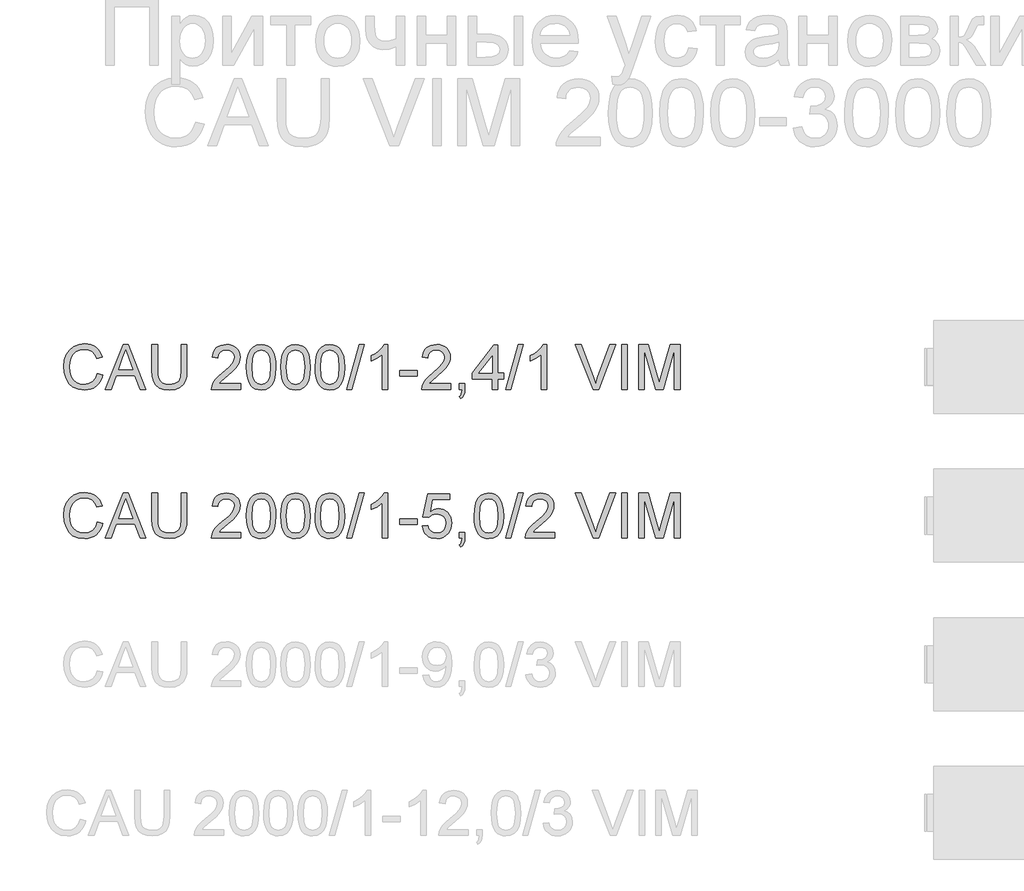
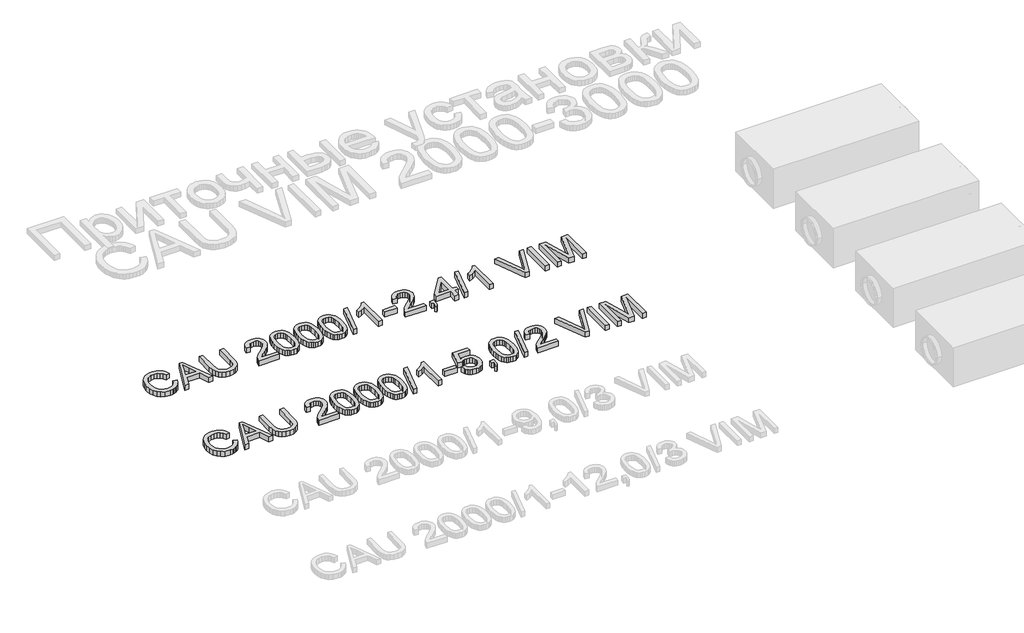
# One storey, part 64 of 74: 2 proxies.
"""IFC4 building model written with IfcOpenShell, lengths in millimetres."""

from ifc_helpers import new_model, si_unit, origin, origin_with_axes, place, context, project, spatial, polyline, outline, extrude, element, save

model = new_model("IFC4")

# Units and contexts
model_context = context("Model", 3, world=origin())
ifc_project = project(units=[si_unit("LENGTHUNIT", "METRE", prefix="MILLI")], contexts=[model_context])

# Site, building, storey
site = spatial("IfcSite", under=ifc_project)
building = spatial("IfcBuilding", under=site)
storey = spatial("IfcBuildingStorey", under=building, Elevation=0.0)

# Proxies
placement = place(None, origin())
element("IfcBuildingElementProxy", 1, Name="Generic Models", at=placement, inside=storey, context=model_context, shape_type="SweptSolid", body=[
    extrude(outline(polyline([(34655.0606318, -3799.1632103), (34692.7317481, -3808.875295), (34685.2775392, -3832.3024803), (34675.3493239, -3852.7728141), (34662.9471021, -3870.2862963), (34648.0708739, -3884.842927), (34631.0563316, -3896.2863563), (34612.2391676, -3904.4602344), (34591.6193818, -3909.3645613), (34569.1969742, -3910.9993369), (34525.5017902, -3906.051324), (34490.801321, -3891.2072855), (34464.2034527, -3866.9822562), (34444.8160716, -3833.8912707), (34432.9794684, -3794.9877497), (34429.033934, -3753.3251137), (34433.4945032, -3709.3816094), (34446.8762108, -3671.4345816), (34468.4800809, -3640.6888439), (34497.6071379, -3618.3492097), (34532.1512572, -3604.7467729), (34570.0063145, -3600.2126274), (34611.3102656, -3606.0803452), (34629.2790018, -3613.4149925), (34645.4589118, -3623.6834986), (34659.5832811, -3636.6145508), (34671.3853954, -3651.9368359), (34688.0228586, -3689.755105), (34650.3517423, -3698.7314257), (34637.2919315, -3671.2598377), (34619.4496547, -3652.4150825), (34596.6041828, -3641.5165784), (34568.5347866, -3637.8837437), (34536.1795651, -3641.9120515), (34509.6000909, -3653.996975), (34489.4309606, -3672.8693214), (34476.3067704, -3697.2598977), (34469.1054803, -3724.8326532), (34466.7050503, -3753.2515373), (34469.5469387, -3788.0531741), (34478.072604, -3818.1459213), (34492.6039428, -3842.3801477), (34513.4628519, -3859.6062222), (34538.4696305, -3869.897721), (34565.4445778, -3873.3282206), (34596.8892913, -3868.6561192), (34623.0916864, -3854.6398152), (34642.8745407, -3831.4264613), (34655.0606318, -3799.1632103)])), origin_with_axes(), (0.0, 0.0, 1.0), 50.0),
    extrude(outline(polyline([(34709.4335907, -3906.2904473), (34829.7310031, -3604.9215169), (34861.8103131, -3604.9215169), (34982.1077255, -3906.2904473), (34942.3028937, -3906.2904473), (34907.7955625, -3812.1126566), (34783.6721773, -3812.1126566), (34749.2384226, -3906.2904473), (34709.4335907, -3906.2904473)]), holes=[polyline([(34797.5045404, -3774.4415403), (34894.0367759, -3774.4415403), (34866.8870847, -3700.3501064), (34845.7706581, -3642.5926332), (34827.0086764, -3693.8753833), (34797.5045404, -3774.4415403)])]), origin_with_axes(), (0.0, 0.0, 1.0), 50.0),
    extrude(outline(polyline([(35220.1273764, -3604.9215169), (35257.7984927, -3604.9215169), (35257.7984927, -3778.7825478), (35255.2417129, -3819.4978876), (35247.5713733, -3850.8506307), (35233.2423696, -3875.0388719), (35210.7095973, -3894.2607061), (35179.9178743, -3906.8146792), (35140.8120183, -3910.9993369), (35102.5614878, -3907.3573051), (35071.981297, -3896.4312099), (35049.0622487, -3878.5981302), (35033.7951459, -3854.235145), (35025.2142983, -3821.5580268), (35022.3540158, -3778.7825478), (35022.3540158, -3604.9215169), (35060.0251321, -3604.9215169), (35060.0251321, -3777.4581726), (35061.8829362, -3811.3125132), (35067.4563484, -3834.8845521), (35077.5547092, -3851.2093156), (35092.9873589, -3863.3218303), (35113.110504, -3870.826623), (35137.2803511, -3873.3282206), (35175.5952609, -3868.3802077), (35189.9380602, -3862.1951917), (35201.0710891, -3853.5361692), (35209.4082148, -3841.3592752), (35215.3633046, -3824.6206444), (35220.1273764, -3777.4581726), (35220.1273764, -3604.9215169)])), origin_with_axes(), (0.0, 0.0, 1.0), 50.0),
    extrude(outline(polyline([(35620.3829872, -3868.619331), (35620.3829872, -3906.2904473), (35422.6096266, -3906.2904473), (35426.6563285, -3880.3179785), (35435.9453489, -3860.0200894), (35449.5385886, -3840.3292056), (35469.2018813, -3819.7186168), (35496.7010604, -3796.6616128), (35537.3520209, -3760.553995), (35561.7425971, -3733.9009444), (35573.9378853, -3712.2694831), (35578.0029813, -3691.226633), (35574.1678115, -3672.3634837), (35562.6623021, -3656.6825136), (35544.9763752, -3646.1151033), (35522.5999529, -3642.5926332), (35499.1014904, -3646.0323299), (35480.8453464, -3656.3514198), (35469.0639255, -3672.7405627), (35464.9896324, -3694.3904181), (35427.3185161, -3689.6815286), (35436.4511866, -3653.242817), (35444.9975452, -3638.7068796), (35456.1972527, -3626.6265546), (35469.7927917, -3617.1306006), (35485.5266448, -3610.3477763), (35523.4092932, -3604.9215169), (35543.599117, -3606.4298331), (35561.5678532, -3610.9547816), (35577.3155019, -3618.4963625), (35590.842063, -3629.0545758), (35601.7060781, -3641.8476722), (35609.466089, -3656.0939024), (35614.1220955, -3671.7932666), (35615.6740976, -3688.9457646), (35614.0002346, -3706.9627853), (35608.9786453, -3724.6671063), (35600.066704, -3742.67493), (35586.7217846, -3761.6024586), (35565.4490082, -3784.1996102), (35532.7534959, -3813.2163026), (35489.4169969, -3849.4526791), (35472.4208487, -3868.619331), (35620.3829872, -3868.619331)])), origin_with_axes(), (0.0, 0.0, 1.0), 50.0),
    extrude(outline(polyline([(35658.0541035, -3758.0340033), (35660.8224155, -3709.7954767), (35669.1273515, -3671.324217), (35682.8861382, -3642.0316132), (35702.0160019, -3621.3290539), (35726.6548985, -3609.0234011), (35756.9407838, -3604.9215169), (35780.1541377, -3607.3495381), (35800.9394704, -3614.6336016), (35818.3218947, -3626.4885989), (35831.3265232, -3642.6294214), (35841.1489725, -3662.9181134), (35848.984859, -3687.2167192), (35854.1168128, -3718.0728216), (35855.8274641, -3758.0340033), (35853.0867432, -3805.9966184), (35844.8645806, -3844.3759076), (35831.1885675, -3873.6961026), (35812.0862949, -3894.4814353), (35787.3922159, -3906.8698615), (35756.9407838, -3910.9993369), (35736.1922393, -3909.2059122), (35717.7981395, -3903.825638), (35701.7584845, -3894.8585143), (35688.0732743, -3882.3045413), (35674.9398871, -3859.6108207), (35665.5588962, -3831.3344908), (35659.9303017, -3797.4755517), (35658.0541035, -3758.0340033)]), holes=[polyline([(35695.7252198, -3757.9604269), (35700.1398037, -3817.2170193), (35705.6580337, -3837.4850179), (35713.3835556, -3851.5128183), (35733.1020305, -3867.87437), (35756.9407838, -3873.3282206), (35780.7795371, -3867.8559759), (35800.498012, -3851.4392419), (35808.2235339, -3837.3884489), (35813.7417638, -3817.1250488), (35818.1563478, -3757.9604269), (35813.8889166, -3700.0374067), (35808.5546277, -3679.8360867), (35801.0866232, -3665.4748933), (35781.4049365, -3648.3131982), (35756.4993254, -3642.5926332), (35732.9180895, -3647.6326165), (35713.9721667, -3662.7525665), (35705.9891275, -3678.3875513), (35700.2869565, -3699.4671897), (35695.7252198, -3757.9604269)])]), origin_with_axes(), (0.0, 0.0, 1.0), 50.0),
    extrude(outline(polyline([(35888.7896909, -3758.0340033), (35891.5580029, -3709.7954767), (35899.8629389, -3671.324217), (35913.6217255, -3642.0316132), (35932.7515893, -3621.3290539), (35957.3904859, -3609.0234011), (35987.6763712, -3604.9215169), (36010.8897251, -3607.3495381), (36031.6750578, -3614.6336016), (36049.0574821, -3626.4885989), (36062.0621106, -3642.6294214), (36071.8845599, -3662.9181134), (36079.7204464, -3687.2167192), (36084.8524002, -3718.0728216), (36086.5630515, -3758.0340033), (36083.8223306, -3805.9966184), (36075.600168, -3844.3759076), (36061.9241548, -3873.6961026), (36042.8218822, -3894.4814353), (36018.1278033, -3906.8698615), (35987.6763712, -3910.9993369), (35966.9278266, -3909.2059122), (35948.5337269, -3903.825638), (35932.4940719, -3894.8585143), (35918.8088617, -3882.3045413), (35905.6754744, -3859.6108207), (35896.2944836, -3831.3344908), (35890.665889, -3797.4755517), (35888.7896909, -3758.0340033)]), holes=[polyline([(35926.4608072, -3757.9604269), (35930.8753911, -3817.2170193), (35936.393621, -3837.4850179), (35944.1191429, -3851.5128183), (35963.8376179, -3867.87437), (35987.6763712, -3873.3282206), (36011.5151244, -3867.8559759), (36031.2335994, -3851.4392419), (36038.9591213, -3837.3884489), (36044.4773512, -3817.1250488), (36048.8919352, -3757.9604269), (36044.624504, -3700.0374067), (36039.2902151, -3679.8360867), (36031.8222106, -3665.4748933), (36012.1405238, -3648.3131982), (35987.2349128, -3642.5926332), (35963.6536769, -3647.6326165), (35944.7077541, -3662.7525665), (35936.7247148, -3678.3875513), (35931.0225439, -3699.4671897), (35926.4608072, -3757.9604269)])]), origin_with_axes(), (0.0, 0.0, 1.0), 50.0),
    extrude(outline(polyline([(36119.5252782, -3758.0340033), (36122.2935902, -3709.7954767), (36130.5985263, -3671.324217), (36144.3573129, -3642.0316132), (36163.4871767, -3621.3290539), (36188.1260733, -3609.0234011), (36218.4119585, -3604.9215169), (36241.6253124, -3607.3495381), (36262.4106452, -3614.6336016), (36279.7930694, -3626.4885989), (36292.797698, -3642.6294214), (36302.6201472, -3662.9181134), (36310.4560337, -3687.2167192), (36315.5879876, -3718.0728216), (36317.2986388, -3758.0340033), (36314.557918, -3805.9966184), (36306.3357554, -3844.3759076), (36292.6597422, -3873.6961026), (36273.5574696, -3894.4814353), (36248.8633907, -3906.8698615), (36218.4119585, -3910.9993369), (36197.663414, -3909.2059122), (36179.2693142, -3903.825638), (36163.2296593, -3894.8585143), (36149.544449, -3882.3045413), (36136.4110618, -3859.6108207), (36127.0300709, -3831.3344908), (36121.4014764, -3797.4755517), (36119.5252782, -3758.0340033)]), holes=[polyline([(36157.1963945, -3757.9604269), (36161.6109785, -3817.2170193), (36167.1292084, -3837.4850179), (36174.8547303, -3851.5128183), (36194.5732052, -3867.87437), (36218.4119585, -3873.3282206), (36242.2507118, -3867.8559759), (36261.9691868, -3851.4392419), (36269.6947087, -3837.3884489), (36275.2129386, -3817.1250488), (36279.6275225, -3757.9604269), (36275.3600914, -3700.0374067), (36270.0258025, -3679.8360867), (36262.557798, -3665.4748933), (36242.8761112, -3648.3131982), (36217.9705001, -3642.5926332), (36194.3892642, -3647.6326165), (36175.4433415, -3662.7525665), (36167.4603022, -3678.3875513), (36161.7581313, -3699.4671897), (36157.1963945, -3757.9604269)])]), origin_with_axes(), (0.0, 0.0, 1.0), 50.0),
    extrude(outline(polyline([(36331.4253075, -3906.2904473), (36416.1853191, -3604.9215169), (36450.1776155, -3604.9215169), (36365.4176038, -3906.2904473), (36331.4253075, -3906.2904473)])), origin_with_axes(), (0.0, 0.0, 1.0), 50.0),
    extrude(outline(polyline([(36609.2497902, -3906.2904473), (36571.5786739, -3906.2904473), (36571.5786739, -3671.4345816), (36535.8941204, -3696.8552275), (36496.2364413, -3715.8747266), (36496.2364413, -3680.2637495), (36525.8233508, -3664.1689122), (36551.4555288, -3645.0206544), (36571.6614474, -3624.6583859), (36584.9695785, -3604.9215169), (36609.2497902, -3604.9215169), (36609.2497902, -3906.2904473)])), origin_with_axes(), (0.0, 0.0, 1.0), 50.0),
    extrude(outline(polyline([(36689.3009124, -3816.8215461), (36689.3009124, -3779.1504298), (36807.0231508, -3779.1504298), (36807.0231508, -3816.8215461), (36689.3009124, -3816.8215461)])), origin_with_axes(), (0.0, 0.0, 1.0), 50.0),
    extrude(outline(polyline([(37033.0498487, -3868.619331), (37033.0498487, -3906.2904473), (36835.276488, -3906.2904473), (36839.32319, -3880.3179785), (36848.6122104, -3860.0200894), (36862.2054501, -3840.3292056), (36881.8687427, -3819.7186168), (36909.3679219, -3796.6616128), (36950.0188823, -3760.553995), (36974.4094586, -3733.9009444), (36986.6047468, -3712.2694831), (36990.6698428, -3691.226633), (36986.834673, -3672.3634837), (36975.3291636, -3656.6825136), (36957.6432367, -3646.1151033), (36935.2668143, -3642.5926332), (36911.7683519, -3646.0323299), (36893.5122079, -3656.3514198), (36881.730787, -3672.7405627), (36877.6564939, -3694.3904181), (36839.9853776, -3689.6815286), (36849.1180481, -3653.242817), (36857.6644067, -3638.7068796), (36868.8641142, -3626.6265546), (36882.4596532, -3617.1306006), (36898.1935063, -3610.3477763), (36936.0761547, -3604.9215169), (36956.2659785, -3606.4298331), (36974.2347147, -3610.9547816), (36989.9823633, -3618.4963625), (37003.5089244, -3629.0545758), (37014.3729396, -3641.8476722), (37022.1329504, -3656.0939024), (37026.7889569, -3671.7932666), (37028.3409591, -3688.9457646), (37026.667096, -3706.9627853), (37021.6455068, -3724.6671063), (37012.7335655, -3742.67493), (36999.3886461, -3761.6024586), (36978.1158697, -3784.1996102), (36945.4203574, -3813.2163026), (36902.0838584, -3849.4526791), (36885.0877102, -3868.619331), (37033.0498487, -3868.619331)])), origin_with_axes(), (0.0, 0.0, 1.0), 50.0),
    extrude(outline(polyline([(37089.5565231, -3906.2904473), (37089.5565231, -3868.619331), (37127.2276394, -3868.619331), (37127.2276394, -3906.2904473), (37125.5353822, -3927.8391352), (37120.4586107, -3944.8076922), (37111.7030192, -3957.8215178), (37098.9743022, -3967.5060113), (37089.5565231, -3953.3793427), (37097.7235034, -3946.5551317), (37103.3888861, -3937.1189585), (37108.3185049, -3906.2904473), (37089.5565231, -3906.2904473)])), origin_with_axes(), (0.0, 0.0, 1.0), 50.0),
    extrude(outline(polyline([(37310.8743314, -3906.2904473), (37310.8743314, -3835.6571043), (37174.3165348, -3835.6571043), (37174.3165348, -3797.985988), (37320.2921105, -3609.6304064), (37348.5454477, -3609.6304064), (37348.5454477, -3797.985988), (37386.216564, -3797.985988), (37386.216564, -3835.6571043), (37348.5454477, -3835.6571043), (37348.5454477, -3906.2904473), (37310.8743314, -3906.2904473)]), holes=[polyline([(37310.8743314, -3797.985988), (37310.8743314, -3681.5881247), (37220.6696662, -3797.985988), (37310.8743314, -3797.985988)])]), origin_with_axes(), (0.0, 0.0, 1.0), 50.0),
    extrude(outline(polyline([(37400.3432326, -3906.2904473), (37485.1032443, -3604.9215169), (37519.0955407, -3604.9215169), (37434.335529, -3906.2904473), (37400.3432326, -3906.2904473)])), origin_with_axes(), (0.0, 0.0, 1.0), 50.0),
    extrude(outline(polyline([(37678.1677154, -3906.2904473), (37640.4965991, -3906.2904473), (37640.4965991, -3671.4345816), (37604.8120456, -3696.8552275), (37565.1543665, -3715.8747266), (37565.1543665, -3680.2637495), (37594.7412759, -3664.1689122), (37620.373454, -3645.0206544), (37640.5793725, -3624.6583859), (37653.8875037, -3604.9215169), (37678.1677154, -3604.9215169), (37678.1677154, -3906.2904473)])), origin_with_axes(), (0.0, 0.0, 1.0), 50.0),
    extrude(outline(polyline([(37988.5129665, -3906.2904473), (37868.5834361, -3604.9215169), (37908.9033028, -3604.9215169), (37989.1751541, -3822.0454704), (38005.4355383, -3870.9737758), (38021.4751933, -3822.0454704), (38101.9677738, -3604.9215169), (38142.2876405, -3604.9215169), (38027.4348816, -3906.2904473), (37988.5129665, -3906.2904473)])), origin_with_axes(), (0.0, 0.0, 1.0), 50.0),
    extrude(outline(polyline([(38182.018896, -3906.2904473), (38182.018896, -3604.9215169), (38219.6900123, -3604.9215169), (38219.6900123, -3906.2904473), (38182.018896, -3906.2904473)])), origin_with_axes(), (0.0, 0.0, 1.0), 50.0),
    extrude(outline(polyline([(38295.0322449, -3906.2904473), (38295.0322449, -3604.9215169), (38359.8530525, -3604.9215169), (38421.5100748, -3817.3365809), (38433.9444863, -3861.7031495), (38447.4089673, -3813.657761), (38508.0359201, -3604.9215169), (38572.8567277, -3604.9215169), (38572.8567277, -3906.2904473), (38535.1856114, -3906.2904473), (38535.1856114, -3642.5926332), (38459.4754968, -3906.2904473), (38408.4134758, -3906.2904473), (38332.7033612, -3642.5926332), (38332.7033612, -3906.2904473), (38295.0322449, -3906.2904473)])), origin_with_axes(), (0.0, 0.0, 1.0), 50.0),
])
element("IfcBuildingElementProxy", 2, Name="Generic Models", at=placement, inside=storey, context=model_context, shape_type="SweptSolid", body=[
    extrude(outline(polyline([(34655.0606318, -4799.1632103), (34692.7317481, -4808.875295), (34685.2775392, -4832.3024803), (34675.3493239, -4852.7728141), (34662.9471021, -4870.2862963), (34648.0708739, -4884.842927), (34631.0563316, -4896.2863563), (34612.2391676, -4904.4602344), (34591.6193818, -4909.3645613), (34569.1969742, -4910.9993369), (34525.5017902, -4906.051324), (34490.801321, -4891.2072855), (34464.2034527, -4866.9822562), (34444.8160716, -4833.8912707), (34432.9794684, -4794.9877497), (34429.033934, -4753.3251137), (34433.4945032, -4709.3816094), (34446.8762108, -4671.4345816), (34468.4800809, -4640.6888439), (34497.6071379, -4618.3492097), (34532.1512572, -4604.7467729), (34570.0063145, -4600.2126274), (34611.3102656, -4606.0803452), (34629.2790018, -4613.4149925), (34645.4589118, -4623.6834986), (34659.5832811, -4636.6145508), (34671.3853954, -4651.9368359), (34688.0228586, -4689.755105), (34650.3517423, -4698.7314257), (34637.2919315, -4671.2598377), (34619.4496547, -4652.4150825), (34596.6041828, -4641.5165784), (34568.5347866, -4637.8837437), (34536.1795651, -4641.9120515), (34509.6000909, -4653.996975), (34489.4309606, -4672.8693214), (34476.3067704, -4697.2598977), (34469.1054803, -4724.8326532), (34466.7050503, -4753.2515373), (34469.5469387, -4788.0531741), (34478.072604, -4818.1459213), (34492.6039428, -4842.3801477), (34513.4628519, -4859.6062222), (34538.4696305, -4869.897721), (34565.4445778, -4873.3282206), (34596.8892913, -4868.6561192), (34623.0916864, -4854.6398152), (34642.8745407, -4831.4264613), (34655.0606318, -4799.1632103)])), origin_with_axes(), (0.0, 0.0, 1.0), 50.0),
    extrude(outline(polyline([(34709.4335907, -4906.2904473), (34829.7310031, -4604.9215169), (34861.8103131, -4604.9215169), (34982.1077255, -4906.2904473), (34942.3028937, -4906.2904473), (34907.7955625, -4812.1126566), (34783.6721773, -4812.1126566), (34749.2384226, -4906.2904473), (34709.4335907, -4906.2904473)]), holes=[polyline([(34797.5045404, -4774.4415403), (34894.0367759, -4774.4415403), (34866.8870847, -4700.3501064), (34845.7706581, -4642.5926332), (34827.0086764, -4693.8753833), (34797.5045404, -4774.4415403)])]), origin_with_axes(), (0.0, 0.0, 1.0), 50.0),
    extrude(outline(polyline([(35220.1273764, -4604.9215169), (35257.7984927, -4604.9215169), (35257.7984927, -4778.7825478), (35255.2417129, -4819.4978876), (35247.5713733, -4850.8506307), (35233.2423696, -4875.0388719), (35210.7095973, -4894.2607061), (35179.9178743, -4906.8146792), (35140.8120183, -4910.9993369), (35102.5614878, -4907.3573051), (35071.981297, -4896.4312099), (35049.0622487, -4878.5981302), (35033.7951459, -4854.235145), (35025.2142983, -4821.5580268), (35022.3540158, -4778.7825478), (35022.3540158, -4604.9215169), (35060.0251321, -4604.9215169), (35060.0251321, -4777.4581726), (35061.8829362, -4811.3125132), (35067.4563484, -4834.8845521), (35077.5547092, -4851.2093156), (35092.9873589, -4863.3218303), (35113.110504, -4870.826623), (35137.2803511, -4873.3282206), (35175.5952609, -4868.3802077), (35189.9380602, -4862.1951917), (35201.0710891, -4853.5361692), (35209.4082148, -4841.3592752), (35215.3633046, -4824.6206444), (35220.1273764, -4777.4581726), (35220.1273764, -4604.9215169)])), origin_with_axes(), (0.0, 0.0, 1.0), 50.0),
    extrude(outline(polyline([(35620.3829872, -4868.619331), (35620.3829872, -4906.2904473), (35422.6096266, -4906.2904473), (35426.6563285, -4880.3179785), (35435.9453489, -4860.0200894), (35449.5385886, -4840.3292056), (35469.2018813, -4819.7186168), (35496.7010604, -4796.6616128), (35537.3520209, -4760.553995), (35561.7425971, -4733.9009444), (35573.9378853, -4712.2694831), (35578.0029813, -4691.226633), (35574.1678115, -4672.3634837), (35562.6623021, -4656.6825136), (35544.9763752, -4646.1151033), (35522.5999529, -4642.5926332), (35499.1014904, -4646.0323299), (35480.8453464, -4656.3514198), (35469.0639255, -4672.7405627), (35464.9896324, -4694.3904181), (35427.3185161, -4689.6815286), (35436.4511866, -4653.242817), (35444.9975452, -4638.7068796), (35456.1972527, -4626.6265546), (35469.7927917, -4617.1306006), (35485.5266448, -4610.3477763), (35523.4092932, -4604.9215169), (35543.599117, -4606.4298331), (35561.5678532, -4610.9547816), (35577.3155019, -4618.4963625), (35590.842063, -4629.0545758), (35601.7060781, -4641.8476722), (35609.466089, -4656.0939024), (35614.1220955, -4671.7932666), (35615.6740976, -4688.9457646), (35614.0002346, -4706.9627853), (35608.9786453, -4724.6671063), (35600.066704, -4742.67493), (35586.7217846, -4761.6024586), (35565.4490082, -4784.1996102), (35532.7534959, -4813.2163026), (35489.4169969, -4849.4526791), (35472.4208487, -4868.619331), (35620.3829872, -4868.619331)])), origin_with_axes(), (0.0, 0.0, 1.0), 50.0),
    extrude(outline(polyline([(35658.0541035, -4758.0340033), (35660.8224155, -4709.7954767), (35669.1273515, -4671.324217), (35682.8861382, -4642.0316132), (35702.0160019, -4621.3290539), (35726.6548985, -4609.0234011), (35756.9407838, -4604.9215169), (35780.1541377, -4607.3495381), (35800.9394704, -4614.6336016), (35818.3218947, -4626.4885989), (35831.3265232, -4642.6294214), (35841.1489725, -4662.9181134), (35848.984859, -4687.2167192), (35854.1168128, -4718.0728216), (35855.8274641, -4758.0340033), (35853.0867432, -4805.9966184), (35844.8645806, -4844.3759076), (35831.1885675, -4873.6961026), (35812.0862949, -4894.4814353), (35787.3922159, -4906.8698615), (35756.9407838, -4910.9993369), (35736.1922393, -4909.2059122), (35717.7981395, -4903.825638), (35701.7584845, -4894.8585143), (35688.0732743, -4882.3045413), (35674.9398871, -4859.6108207), (35665.5588962, -4831.3344908), (35659.9303017, -4797.4755517), (35658.0541035, -4758.0340033)]), holes=[polyline([(35695.7252198, -4757.9604269), (35700.1398037, -4817.2170193), (35705.6580337, -4837.4850179), (35713.3835556, -4851.5128183), (35733.1020305, -4867.87437), (35756.9407838, -4873.3282206), (35780.7795371, -4867.8559759), (35800.498012, -4851.4392419), (35808.2235339, -4837.3884489), (35813.7417638, -4817.1250488), (35818.1563478, -4757.9604269), (35813.8889166, -4700.0374067), (35808.5546277, -4679.8360867), (35801.0866232, -4665.4748933), (35781.4049365, -4648.3131982), (35756.4993254, -4642.5926332), (35732.9180895, -4647.6326165), (35713.9721667, -4662.7525665), (35705.9891275, -4678.3875513), (35700.2869565, -4699.4671897), (35695.7252198, -4757.9604269)])]), origin_with_axes(), (0.0, 0.0, 1.0), 50.0),
    extrude(outline(polyline([(35888.7896909, -4758.0340033), (35891.5580029, -4709.7954767), (35899.8629389, -4671.324217), (35913.6217255, -4642.0316132), (35932.7515893, -4621.3290539), (35957.3904859, -4609.0234011), (35987.6763712, -4604.9215169), (36010.8897251, -4607.3495381), (36031.6750578, -4614.6336016), (36049.0574821, -4626.4885989), (36062.0621106, -4642.6294214), (36071.8845599, -4662.9181134), (36079.7204464, -4687.2167192), (36084.8524002, -4718.0728216), (36086.5630515, -4758.0340033), (36083.8223306, -4805.9966184), (36075.600168, -4844.3759076), (36061.9241548, -4873.6961026), (36042.8218822, -4894.4814353), (36018.1278033, -4906.8698615), (35987.6763712, -4910.9993369), (35966.9278266, -4909.2059122), (35948.5337269, -4903.825638), (35932.4940719, -4894.8585143), (35918.8088617, -4882.3045413), (35905.6754744, -4859.6108207), (35896.2944836, -4831.3344908), (35890.665889, -4797.4755517), (35888.7896909, -4758.0340033)]), holes=[polyline([(35926.4608072, -4757.9604269), (35930.8753911, -4817.2170193), (35936.393621, -4837.4850179), (35944.1191429, -4851.5128183), (35963.8376179, -4867.87437), (35987.6763712, -4873.3282206), (36011.5151244, -4867.8559759), (36031.2335994, -4851.4392419), (36038.9591213, -4837.3884489), (36044.4773512, -4817.1250488), (36048.8919352, -4757.9604269), (36044.624504, -4700.0374067), (36039.2902151, -4679.8360867), (36031.8222106, -4665.4748933), (36012.1405238, -4648.3131982), (35987.2349128, -4642.5926332), (35963.6536769, -4647.6326165), (35944.7077541, -4662.7525665), (35936.7247148, -4678.3875513), (35931.0225439, -4699.4671897), (35926.4608072, -4757.9604269)])]), origin_with_axes(), (0.0, 0.0, 1.0), 50.0),
    extrude(outline(polyline([(36119.5252782, -4758.0340033), (36122.2935902, -4709.7954767), (36130.5985263, -4671.324217), (36144.3573129, -4642.0316132), (36163.4871767, -4621.3290539), (36188.1260733, -4609.0234011), (36218.4119585, -4604.9215169), (36241.6253124, -4607.3495381), (36262.4106452, -4614.6336016), (36279.7930694, -4626.4885989), (36292.797698, -4642.6294214), (36302.6201472, -4662.9181134), (36310.4560337, -4687.2167192), (36315.5879876, -4718.0728216), (36317.2986388, -4758.0340033), (36314.557918, -4805.9966184), (36306.3357554, -4844.3759076), (36292.6597422, -4873.6961026), (36273.5574696, -4894.4814353), (36248.8633907, -4906.8698615), (36218.4119585, -4910.9993369), (36197.663414, -4909.2059122), (36179.2693142, -4903.825638), (36163.2296593, -4894.8585143), (36149.544449, -4882.3045413), (36136.4110618, -4859.6108207), (36127.0300709, -4831.3344908), (36121.4014764, -4797.4755517), (36119.5252782, -4758.0340033)]), holes=[polyline([(36157.1963945, -4757.9604269), (36161.6109785, -4817.2170193), (36167.1292084, -4837.4850179), (36174.8547303, -4851.5128183), (36194.5732052, -4867.87437), (36218.4119585, -4873.3282206), (36242.2507118, -4867.8559759), (36261.9691868, -4851.4392419), (36269.6947087, -4837.3884489), (36275.2129386, -4817.1250488), (36279.6275225, -4757.9604269), (36275.3600914, -4700.0374067), (36270.0258025, -4679.8360867), (36262.557798, -4665.4748933), (36242.8761112, -4648.3131982), (36217.9705001, -4642.5926332), (36194.3892642, -4647.6326165), (36175.4433415, -4662.7525665), (36167.4603022, -4678.3875513), (36161.7581313, -4699.4671897), (36157.1963945, -4757.9604269)])]), origin_with_axes(), (0.0, 0.0, 1.0), 50.0),
    extrude(outline(polyline([(36331.4253075, -4906.2904473), (36416.1853191, -4604.9215169), (36450.1776155, -4604.9215169), (36365.4176038, -4906.2904473), (36331.4253075, -4906.2904473)])), origin_with_axes(), (0.0, 0.0, 1.0), 50.0),
    extrude(outline(polyline([(36609.2497902, -4906.2904473), (36571.5786739, -4906.2904473), (36571.5786739, -4671.4345816), (36535.8941204, -4696.8552275), (36496.2364413, -4715.8747266), (36496.2364413, -4680.2637495), (36525.8233508, -4664.1689122), (36551.4555288, -4645.0206544), (36571.6614474, -4624.6583859), (36584.9695785, -4604.9215169), (36609.2497902, -4604.9215169), (36609.2497902, -4906.2904473)])), origin_with_axes(), (0.0, 0.0, 1.0), 50.0),
    extrude(outline(polyline([(36689.3009124, -4816.8215461), (36689.3009124, -4779.1504298), (36807.0231508, -4779.1504298), (36807.0231508, -4816.8215461), (36689.3009124, -4816.8215461)])), origin_with_axes(), (0.0, 0.0, 1.0), 50.0),
    extrude(outline(polyline([(36839.9853776, -4826.2393252), (36877.6564939, -4821.5304357), (36884.5726754, -4844.1459813), (36896.6392048, -4860.3419861), (36913.8008999, -4870.081662), (36936.0025783, -4873.3282206), (36963.0051168, -4868.8124691), (36983.2386265, -4855.2652146), (36995.875373, -4834.2499556), (37000.0876219, -4807.3301906), (36996.1420875, -4781.9831212), (36984.3054843, -4762.59574), (36964.4858418, -4750.2900873), (36936.5911895, -4746.188203), (36918.3166514, -4747.8252779), (36903.5185982, -4752.7365026), (36882.3653834, -4769.7326507), (36844.6942671, -4765.0237612), (36877.6564939, -4609.6304064), (37023.6320696, -4609.6304064), (37023.6320696, -4647.3015227), (36908.1171231, -4647.3015227), (36892.0038917, -4730.2957008), (36918.9144596, -4713.9617403), (36947.1126146, -4708.5170867), (36965.4584298, -4710.2047454), (36982.3097245, -4715.2677213), (36997.6664985, -4723.7060146), (37011.5287519, -4735.5196252), (37023.0043709, -4749.9865846), (37031.2012416, -4766.3849246), (37036.1193641, -4784.714645), (37037.7587382, -4804.9757459), (37031.8542322, -4842.6468622), (37024.4735996, -4859.4406753), (37014.1407141, -4874.873325), (36998.4873352, -4890.6784552), (36980.2219941, -4901.9678339), (36959.3446909, -4908.7414611), (36935.8554255, -4910.9993369), (36898.8556939, -4905.1959984), (36883.1770231, -4897.9418253), (36869.379149, -4887.785983), (36857.8989315, -4875.2343092), (36849.1732304, -4860.7926416), (36839.9853776, -4826.2393252)])), origin_with_axes(), (0.0, 0.0, 1.0), 50.0),
    extrude(outline(polyline([(37089.5565231, -4906.2904473), (37089.5565231, -4868.619331), (37127.2276394, -4868.619331), (37127.2276394, -4906.2904473), (37125.5353822, -4927.8391352), (37120.4586107, -4944.8076922), (37111.7030192, -4957.8215178), (37098.9743022, -4967.5060113), (37089.5565231, -4953.3793427), (37097.7235034, -4946.5551317), (37103.3888861, -4937.1189585), (37108.3185049, -4906.2904473), (37089.5565231, -4906.2904473)])), origin_with_axes(), (0.0, 0.0, 1.0), 50.0),
    extrude(outline(polyline([(37188.4432034, -4758.0340033), (37191.2115154, -4709.7954767), (37199.5164515, -4671.324217), (37213.2752381, -4642.0316132), (37232.4051018, -4621.3290539), (37257.0439985, -4609.0234011), (37287.3298837, -4604.9215169), (37310.5432376, -4607.3495381), (37331.3285703, -4614.6336016), (37348.7109946, -4626.4885989), (37361.7156231, -4642.6294214), (37371.5380724, -4662.9181134), (37379.3739589, -4687.2167192), (37384.5059127, -4718.0728216), (37386.216564, -4758.0340033), (37383.4758432, -4805.9966184), (37375.2536806, -4844.3759076), (37361.5776674, -4873.6961026), (37342.4753948, -4894.4814353), (37317.7813159, -4906.8698615), (37287.3298837, -4910.9993369), (37266.5813392, -4909.2059122), (37248.1872394, -4903.825638), (37232.1475844, -4894.8585143), (37218.4623742, -4882.3045413), (37205.328987, -4859.6108207), (37195.9479961, -4831.3344908), (37190.3194016, -4797.4755517), (37188.4432034, -4758.0340033)]), holes=[polyline([(37226.1143197, -4757.9604269), (37230.5289037, -4817.2170193), (37236.0471336, -4837.4850179), (37243.7726555, -4851.5128183), (37263.4911304, -4867.87437), (37287.3298837, -4873.3282206), (37311.168637, -4867.8559759), (37330.8871119, -4851.4392419), (37338.6126338, -4837.3884489), (37344.1308638, -4817.1250488), (37348.5454477, -4757.9604269), (37344.2780166, -4700.0374067), (37338.9437276, -4679.8360867), (37331.4757231, -4665.4748933), (37311.7940364, -4648.3131982), (37286.8884253, -4642.5926332), (37263.3071894, -4647.6326165), (37244.3612667, -4662.7525665), (37236.3782274, -4678.3875513), (37230.6760565, -4699.4671897), (37226.1143197, -4757.9604269)])]), origin_with_axes(), (0.0, 0.0, 1.0), 50.0),
    extrude(outline(polyline([(37400.3432326, -4906.2904473), (37485.1032443, -4604.9215169), (37519.0955407, -4604.9215169), (37434.335529, -4906.2904473), (37400.3432326, -4906.2904473)])), origin_with_axes(), (0.0, 0.0, 1.0), 50.0),
    extrude(outline(polyline([(37729.9655003, -4868.619331), (37729.9655003, -4906.2904473), (37532.1921397, -4906.2904473), (37536.2388417, -4880.3179785), (37545.527862, -4860.0200894), (37559.1211018, -4840.3292056), (37578.7843944, -4819.7186168), (37606.2835735, -4796.6616128), (37646.934534, -4760.553995), (37671.3251103, -4733.9009444), (37683.5203984, -4712.2694831), (37687.5854945, -4691.226633), (37683.7503247, -4672.3634837), (37672.2448153, -4656.6825136), (37654.5588884, -4646.1151033), (37632.182466, -4642.5926332), (37608.6840036, -4646.0323299), (37590.4278595, -4656.3514198), (37578.6464387, -4672.7405627), (37574.5721456, -4694.3904181), (37536.9010292, -4689.6815286), (37546.0336998, -4653.242817), (37554.5800584, -4638.7068796), (37565.7797659, -4626.6265546), (37579.3753049, -4617.1306006), (37595.1091579, -4610.3477763), (37632.9918064, -4604.9215169), (37653.1816301, -4606.4298331), (37671.1503663, -4610.9547816), (37686.898015, -4618.4963625), (37700.4245761, -4629.0545758), (37711.2885913, -4641.8476722), (37719.0486021, -4656.0939024), (37723.7046086, -4671.7932666), (37725.2566108, -4688.9457646), (37723.5827477, -4706.9627853), (37718.5611585, -4724.6671063), (37709.6492171, -4742.67493), (37696.3042978, -4761.6024586), (37675.0315214, -4784.1996102), (37642.3360091, -4813.2163026), (37598.99951, -4849.4526791), (37582.0033619, -4868.619331), (37729.9655003, -4868.619331)])), origin_with_axes(), (0.0, 0.0, 1.0), 50.0),
    extrude(outline(polyline([(37988.5129665, -4906.2904473), (37868.5834361, -4604.9215169), (37908.9033028, -4604.9215169), (37989.1751541, -4822.0454704), (38005.4355383, -4870.9737758), (38021.4751933, -4822.0454704), (38101.9677738, -4604.9215169), (38142.2876405, -4604.9215169), (38027.4348816, -4906.2904473), (37988.5129665, -4906.2904473)])), origin_with_axes(), (0.0, 0.0, 1.0), 50.0),
    extrude(outline(polyline([(38182.018896, -4906.2904473), (38182.018896, -4604.9215169), (38219.6900123, -4604.9215169), (38219.6900123, -4906.2904473), (38182.018896, -4906.2904473)])), origin_with_axes(), (0.0, 0.0, 1.0), 50.0),
    extrude(outline(polyline([(38295.0322449, -4906.2904473), (38295.0322449, -4604.9215169), (38359.8530525, -4604.9215169), (38421.5100748, -4817.3365809), (38433.9444863, -4861.7031495), (38447.4089673, -4813.657761), (38508.0359201, -4604.9215169), (38572.8567277, -4604.9215169), (38572.8567277, -4906.2904473), (38535.1856114, -4906.2904473), (38535.1856114, -4642.5926332), (38459.4754968, -4906.2904473), (38408.4134758, -4906.2904473), (38332.7033612, -4642.5926332), (38332.7033612, -4906.2904473), (38295.0322449, -4906.2904473)])), origin_with_axes(), (0.0, 0.0, 1.0), 50.0),
])

save(model, "model.ifc")
